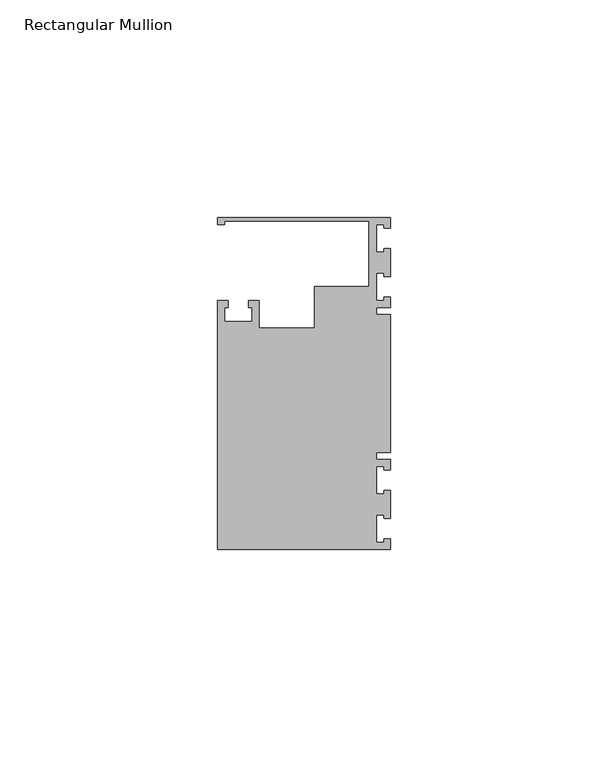
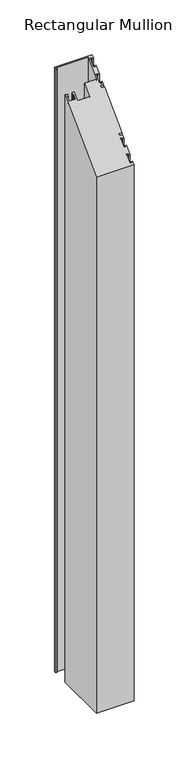
"""IFC4 building model written with IfcOpenShell, lengths in millimetres: member geometry, Rectangular Mullion."""

from ifc_helpers import new_model, si_unit, origin, place, context, project, spatial, faceted_brep, source, transform, mapped, element, save


def rectangular_mullion_0bbd6a3c(model_context):
    return source(origin(), model_context, "Body", "Brep", [
        faceted_brep([(0.0, 38.1, -635.0), (0.0, 35.71875, -635.0), (-1.4999946, 35.71875, -635.0), (-1.4999946, 36.5125, -635.0), (-3.175, 36.5125, -635.0), (-3.175, 30.1625, -635.0), (-1.4999946, 30.1625, -635.0), (-1.4999946, 30.95625, -635.0), (0.0, 30.95625, -635.0), (0.0, 24.60625, -635.0), (-1.4999946, 24.60625, -635.0), (-1.4999946, 25.4, -635.0), (-3.175, 25.4, -635.0), (-3.175, 19.05, -635.0), (-1.4999946, 19.05, -635.0), (-1.4999946, 19.84375, -635.0), (0.0, 19.84375, -635.0), (0.0, 17.4625, -635.0), (-3.175, 17.4625, -635.0), (-3.175, 15.875, -635.0), (0.0, 15.875, -635.0), (0.0, -15.875, -635.0), (-3.175, -15.875, -635.0), (-3.175, -17.4625, -635.0), (0.0, -17.4625, -635.0), (0.0, -19.84375, -635.0), (-1.4999946, -19.84375, -635.0), (-1.4999946, -19.05, -635.0), (-3.175, -19.05, -635.0), (-3.175, -25.4, -635.0), (-1.4999946, -25.4, -635.0), (-1.4999946, -24.60625, -635.0), (0.0, -24.60625, -635.0), (0.0, -30.95625, -635.0), (-1.4999946, -30.95625, -635.0), (-1.4999946, -30.1625, -635.0), (-3.175, -30.1625, -635.0), (-3.175, -36.5125, -635.0), (-1.4999946, -36.5125, -635.0), (-1.4999946, -35.71875, -635.0), (0.0, -35.71875, -635.0), (0.0, -38.1, -635.0), (-39.6875, -38.1, -635.0), (-39.6875, 19.05, -635.0), (-37.30625, 19.05, -635.0), (-37.30625, 17.4625, -635.0), (-38.1, 17.4625, -635.0), (-38.1, 14.2875, -635.0), (-31.75, 14.2875, -635.0), (-31.75, 17.4625, -635.0), (-32.54375, 17.4625, -635.0), (-32.54375, 19.05, -635.0), (-30.1625, 19.05, -635.0), (-30.1625, 12.6999969, -635.0), (-17.4625, 12.6999969, -635.0), (-17.4625, 22.225, -635.0), (-4.8585733, 22.225, -635.0), (-4.8585733, 37.30625, -635.0), (-38.1, 37.30625, -635.0), (-38.1, 36.5125, -635.0), (-39.6875, 36.5125, -635.0), (-39.6875, 38.1, -635.0), (-39.6875, 38.1, 38.1), (0.0, 38.1, 38.1), (-39.6875, 36.5125, 36.5125), (-38.1, 36.5125, 36.5125), (-38.1, 37.30625, 37.30625), (-4.8585733, 37.30625, 37.30625), (-4.8585733, 22.225, 22.225), (-17.4625, 22.225, 22.225), (-17.4625, 12.6999969, 12.6999969), (-30.1625, 12.6999969, 12.6999969), (-30.1625, 19.05, 19.05), (-32.54375, 19.05, 19.05), (-32.54375, 17.4625, 17.4625), (-31.75, 17.4625, 17.4625), (-31.75, 14.2875, 14.2875), (-38.1, 14.2875, 14.2875), (-38.1, 17.4625, 17.4625), (-37.30625, 17.4625, 17.4625), (-37.30625, 19.05, 19.05), (-39.6875, 19.05, 19.05), (-39.6875, -38.1, -38.1), (0.0, -38.1, -38.1), (0.0, -35.71875, -35.71875), (-1.4999946, -35.71875, -35.71875), (-1.4999946, -36.5125, -36.5125), (-3.175, -36.5125, -36.5125), (-3.175, -30.1625, -30.1625), (-1.4999946, -30.1625, -30.1625), (-1.4999946, -30.95625, -30.95625), (0.0, -30.95625, -30.95625), (0.0, -24.60625, -24.60625), (-1.4999946, -24.60625, -24.60625), (-1.4999946, -25.4, -25.4), (-3.175, -25.4, -25.4), (-3.175, -19.05, -19.05), (-1.4999946, -19.05, -19.05), (-1.4999946, -19.84375, -19.84375), (0.0, -19.84375, -19.84375), (0.0, -17.4625, -17.4625), (-3.175, -17.4625, -17.4625), (-3.175, -15.875, -15.875), (0.0, -15.875, -15.875), (0.0, 15.875, 15.875), (-3.175, 15.875, 15.875), (-3.175, 17.4625, 17.4625), (0.0, 17.4625, 17.4625), (0.0, 19.84375, 19.84375), (-1.4999946, 19.84375, 19.84375), (-1.4999946, 19.05, 19.05), (-3.175, 19.05, 19.05), (-3.175, 25.4, 25.4), (-1.4999946, 25.4, 25.4), (-1.4999946, 24.60625, 24.60625), (0.0, 24.60625, 24.60625), (0.0, 30.95625, 30.95625), (-1.4999946, 30.95625, 30.95625), (-1.4999946, 30.1625, 30.1625), (-3.175, 30.1625, 30.1625), (-3.175, 36.5125, 36.5125), (-1.4999946, 36.5125, 36.5125), (-1.4999946, 35.71875, 35.71875), (0.0, 35.71875, 35.71875)], [[[0, 1, 2, 3, 4, 5, 6, 7, 8, 9, 10, 11, 12, 13, 14, 15, 16, 17, 18, 19, 20, 21, 22, 23, 24, 25, 26, 27, 28, 29, 30, 31, 32, 33, 34, 35, 36, 37, 38, 39, 40, 41, 42, 43, 44, 45, 46, 47, 48, 49, 50, 51, 52, 53, 54, 55, 56, 57, 58, 59, 60, 61]], [[62, 63, 0, 61]], [[64, 62, 61, 60]], [[65, 64, 60, 59]], [[66, 65, 59, 58]], [[67, 66, 58, 57]], [[68, 67, 57, 56]], [[69, 68, 56, 55]], [[70, 69, 55, 54]], [[71, 70, 54, 53]], [[72, 71, 53, 52]], [[73, 72, 52, 51]], [[74, 73, 51, 50]], [[75, 74, 50, 49]], [[76, 75, 49, 48]], [[77, 76, 48, 47]], [[78, 77, 47, 46]], [[79, 78, 46, 45]], [[80, 79, 45, 44]], [[81, 80, 44, 43]], [[82, 81, 43, 42]], [[83, 82, 42, 41]], [[84, 83, 41, 40]], [[85, 84, 40, 39]], [[86, 85, 39, 38]], [[87, 86, 38, 37]], [[88, 87, 37, 36]], [[89, 88, 36, 35]], [[90, 89, 35, 34]], [[91, 90, 34, 33]], [[92, 91, 33, 32]], [[93, 92, 32, 31]], [[94, 93, 31, 30]], [[95, 94, 30, 29]], [[96, 95, 29, 28]], [[97, 96, 28, 27]], [[98, 97, 27, 26]], [[99, 98, 26, 25]], [[100, 99, 25, 24]], [[101, 100, 24, 23]], [[102, 101, 23, 22]], [[103, 102, 22, 21]], [[104, 103, 21, 20]], [[105, 104, 20, 19]], [[106, 105, 19, 18]], [[107, 106, 18, 17]], [[108, 107, 17, 16]], [[109, 108, 16, 15]], [[110, 109, 15, 14]], [[111, 110, 14, 13]], [[112, 111, 13, 12]], [[113, 112, 12, 11]], [[114, 113, 11, 10]], [[115, 114, 10, 9]], [[116, 115, 9, 8]], [[117, 116, 8, 7]], [[118, 117, 7, 6]], [[119, 118, 6, 5]], [[120, 119, 5, 4]], [[121, 120, 4, 3]], [[122, 121, 3, 2]], [[123, 122, 2, 1]], [[63, 123, 1, 0]], [[63, 62, 64, 65, 66, 67, 68, 69, 70, 71, 72, 73, 74, 75, 76, 77, 78, 79, 80, 81, 82, 83, 84, 85, 86, 87, 88, 89, 90, 91, 92, 93, 94, 95, 96, 97, 98, 99, 100, 101, 102, 103, 104, 105, 106, 107, 108, 109, 110, 111, 112, 113, 114, 115, 116, 117, 118, 119, 120, 121, 122, 123]]]),
    ])


if __name__ == "__main__":
    model = new_model("IFC4")
    model_context = context("Model", 3, world=origin())
    ifc_project = project(units=[si_unit("LENGTHUNIT", "METRE", prefix="MILLI")], contexts=[model_context])
    site = spatial("IfcSite", under=ifc_project)
    building = spatial("IfcBuilding", under=site)
    placement = place(None, origin())
    rectangular_mullion_shape = rectangular_mullion_0bbd6a3c(model_context)
    element("IfcMember", 1, ObjectType="Rectangular Mullion", at=placement, inside=building, context=model_context, shape_type="MappedRepresentation", body=[
        mapped(rectangular_mullion_shape, transform((0.0, 0.0, 0.0), x_axis=(1.0, 0.0, 0.0), y_axis=(0.0, 1.0, 0.0), z_axis=(0.0, 0.0, 1.0))),
    ])
    save(model, "model.ifc")
